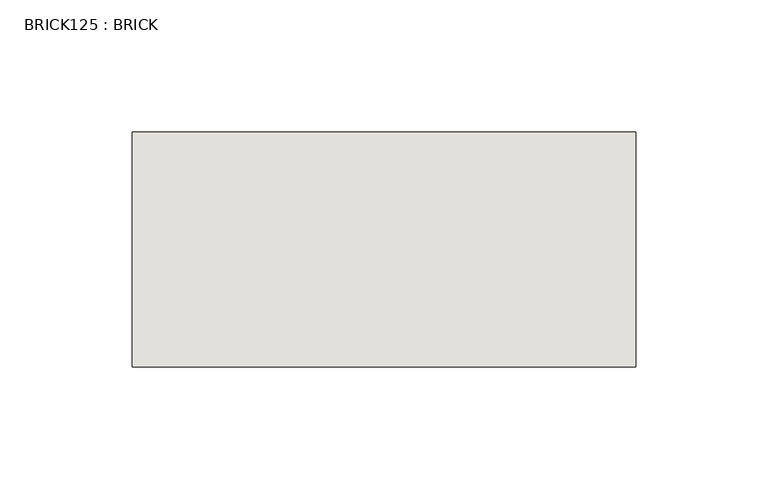
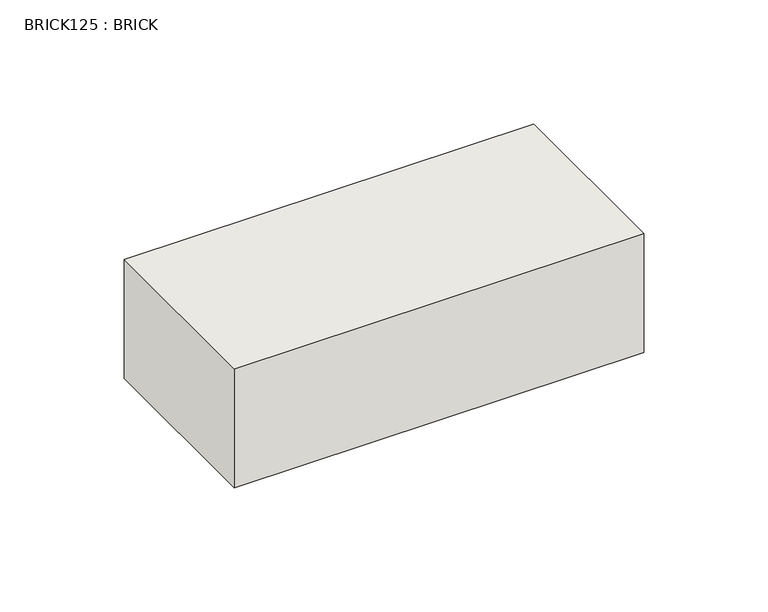
"""IFC4 building model written with IfcOpenShell, lengths in millimetres: wall geometry, BRICK125 : BRICK."""

from ifc_helpers import new_model, si_unit, frame, origin, place, context, project, spatial, polyline, outline, extrude, source, transform, mapped, element, save


def brick125_brick_de773a32(model_context):
    return source(origin(), model_context, "Body", "SweptSolid", [
        extrude(outline(polyline([(428.4530711, 2586.2274125), (618.9530711, 2586.2274125), (618.9530711, 2497.3274125), (428.4530711, 2497.3274125), (428.4530711, 2586.2274125)])), frame((0.0, 0.0, 214.0148438), z_axis=(0.0, 0.0, 1.0), x_axis=(1.0, 0.0, 0.0)), (0.0, 0.0, 1.0), 58.4398437),
    ])


if __name__ == "__main__":
    model = new_model("IFC4")
    model_context = context("Model", 3, world=origin())
    ifc_project = project(units=[si_unit("LENGTHUNIT", "METRE", prefix="MILLI")], contexts=[model_context])
    site = spatial("IfcSite", under=ifc_project)
    building = spatial("IfcBuilding", under=site)
    placement = place(None, origin())
    brick125_brick_shape = brick125_brick_de773a32(model_context)
    element("IfcWall", 1, ObjectType="BRICK125 : BRICK", at=placement, inside=building, context=model_context, shape_type="MappedRepresentation", body=[
        mapped(brick125_brick_shape, transform((0.0, 0.0, 0.0), x_axis=(1.0, 0.0, 0.0), y_axis=(0.0, 1.0, 0.0), z_axis=(0.0, 0.0, 1.0))),
    ])
    save(model, "model.ifc")
